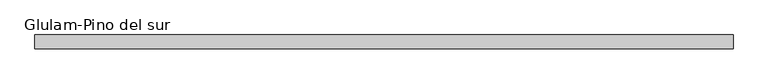
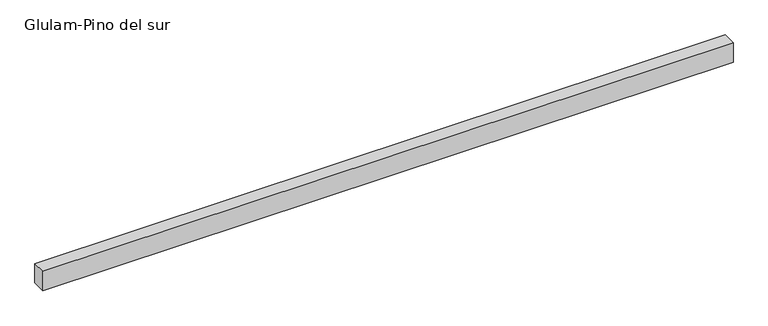
"""IFC4 building model written with IfcOpenShell, lengths in millimetres: beam geometry, Glulam-Pino del sur."""

from ifc_helpers import new_model, si_unit, frame, origin, place, context, project, spatial, polyline, outline, extrude, source, transform, mapped, element, save


def glulam_pino_del_sur_ec9ddd52(model_context):
    return source(origin(), model_context, "Body", "SweptSolid", [
        extrude(outline(polyline([(5213.8610392, 100.0), (5213.8610392, -100.0), (-4912.4094583, -100.0), (-4912.4094583, 100.0), (5213.8610392, 100.0)])), frame((0.0, 0.0, -150.0), z_axis=(0.0, 0.0, 1.0), x_axis=(1.0, 0.0, 0.0)), (0.0, 0.0, 1.0), 300.0),
    ])


if __name__ == "__main__":
    model = new_model("IFC4")
    model_context = context("Model", 3, world=origin())
    ifc_project = project(units=[si_unit("LENGTHUNIT", "METRE", prefix="MILLI")], contexts=[model_context])
    site = spatial("IfcSite", under=ifc_project)
    building = spatial("IfcBuilding", under=site)
    placement = place(None, origin())
    glulam_pino_del_sur_shape = glulam_pino_del_sur_ec9ddd52(model_context)
    element("IfcBeam", 1, ObjectType="Glulam-Pino del sur", at=placement, inside=building, context=model_context, shape_type="MappedRepresentation", body=[
        mapped(glulam_pino_del_sur_shape, transform((0.0, 0.0, 0.0), x_axis=(1.0, 0.0, 0.0), y_axis=(0.0, 1.0, 0.0), z_axis=(0.0, 0.0, 1.0))),
    ])
    save(model, "model.ifc")
